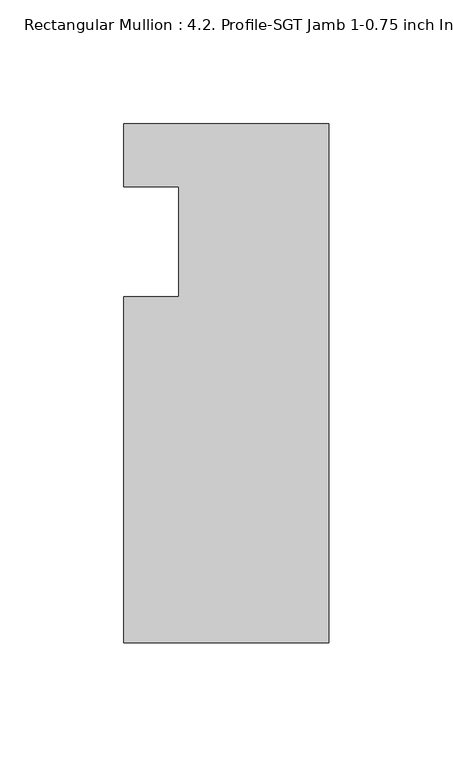
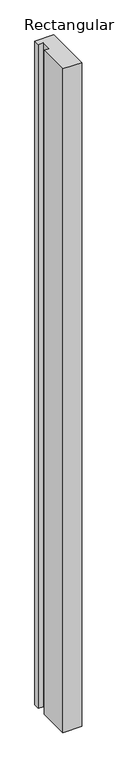
"""IFC4 building model written with IfcOpenShell, lengths in millimetres: member geometry, Rectangular Mullion : 4.2. Profile-SGT Jamb 1-0.75 inch Infill-Detail-7."""

from ifc_helpers import new_model, si_unit, frame, origin, place, context, project, spatial, polyline, outline, extrude, source, transform, mapped, element, save


def rectangular_mullion_4_2_profile_sgt_jamb_1_0_75_inch_infill_701bddb9(model_context):
    return source(origin(), model_context, "Body", "SweptSolid", [
        extrude(outline(polyline([(-82.7668749, -139.699995), (-82.7668749, 0.0623486), (-60.5419882, 0.0623486), (-60.5419882, 44.5123486), (-82.7668732, 44.5123486), (-82.7668732, 69.9123486), (0.0, 69.9123486), (0.0, -139.699995), (-82.7668749, -139.699995)])), frame((0.0, 0.0, -3048.0), z_axis=(0.0, 0.0, 1.0), x_axis=(1.0, 0.0, 0.0)), (0.0, 0.0, 1.0), 3048.0),
    ])


if __name__ == "__main__":
    model = new_model("IFC4")
    model_context = context("Model", 3, world=origin())
    ifc_project = project(units=[si_unit("LENGTHUNIT", "METRE", prefix="MILLI")], contexts=[model_context])
    site = spatial("IfcSite", under=ifc_project)
    building = spatial("IfcBuilding", under=site)
    placement = place(None, origin())
    rectangular_mullion_4_2_profile_sgt_jamb_1_0_75_inch_infill_shape = rectangular_mullion_4_2_profile_sgt_jamb_1_0_75_inch_infill_701bddb9(model_context)
    element("IfcMember", 1, ObjectType="Rectangular Mullion : 4.2. Profile-SGT Jamb 1-0.75 inch Infill-Detail-7", at=placement, inside=building, context=model_context, shape_type="MappedRepresentation", body=[
        mapped(rectangular_mullion_4_2_profile_sgt_jamb_1_0_75_inch_infill_shape, transform((0.0, 0.0, 0.0), x_axis=(1.0, 0.0, 0.0), y_axis=(0.0, 1.0, 0.0), z_axis=(0.0, 0.0, 1.0))),
    ])
    save(model, "model.ifc")
